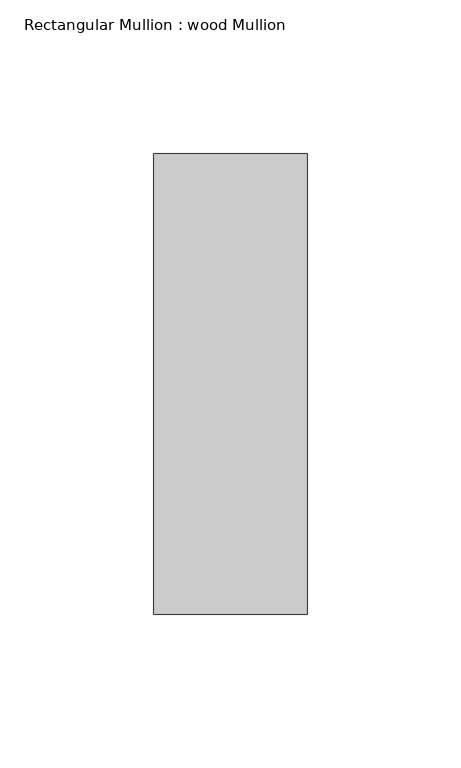
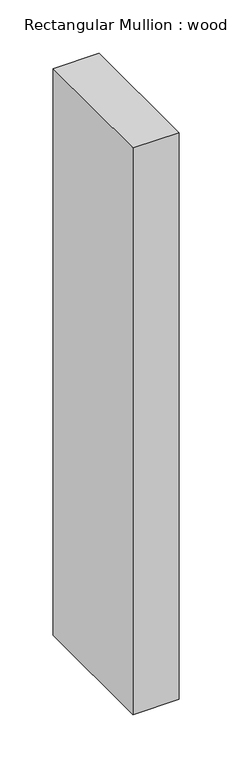
"""IFC4 building model written with IfcOpenShell, lengths in millimetres: member geometry, Rectangular Mullion : wood Mullion."""

from ifc_helpers import new_model, si_unit, frame, origin, place, context, project, spatial, polyline, outline, extrude, source, transform, mapped, element, save


def rectangular_mullion_wood_mullion_7d543e93(model_context):
    return source(origin(), model_context, "Body", "SweptSolid", [
        extrude(outline(polyline([(25.0, 75.0), (25.0, -75.0), (-25.0, -75.0), (-25.0, 75.0), (25.0, 75.0)])), frame((0.0, 0.0, -650.0), z_axis=(0.0, 0.0, 1.0), x_axis=(1.0, 0.0, 0.0)), (0.0, 0.0, 1.0), 650.0),
    ])


if __name__ == "__main__":
    model = new_model("IFC4")
    model_context = context("Model", 3, world=origin())
    ifc_project = project(units=[si_unit("LENGTHUNIT", "METRE", prefix="MILLI")], contexts=[model_context])
    site = spatial("IfcSite", under=ifc_project)
    building = spatial("IfcBuilding", under=site)
    placement = place(None, origin())
    rectangular_mullion_wood_mullion_shape = rectangular_mullion_wood_mullion_7d543e93(model_context)
    element("IfcMember", 1, ObjectType="Rectangular Mullion : wood Mullion", at=placement, inside=building, context=model_context, shape_type="MappedRepresentation", body=[
        mapped(rectangular_mullion_wood_mullion_shape, transform((0.0, 0.0, 0.0), x_axis=(1.0, 0.0, 0.0), y_axis=(0.0, 1.0, 0.0), z_axis=(0.0, 0.0, 1.0))),
    ])
    save(model, "model.ifc")
